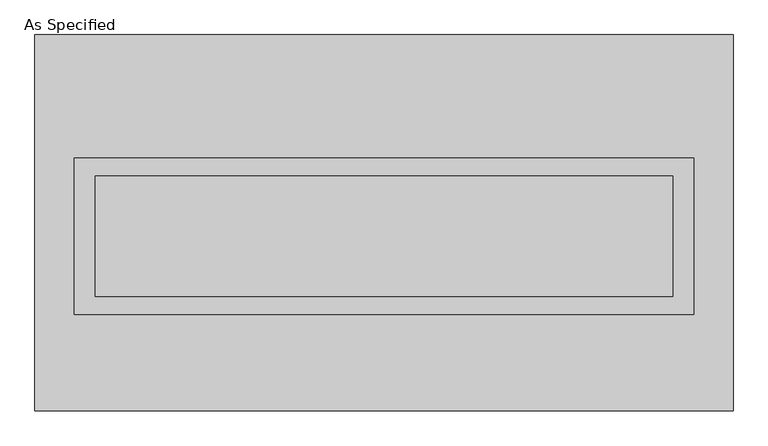
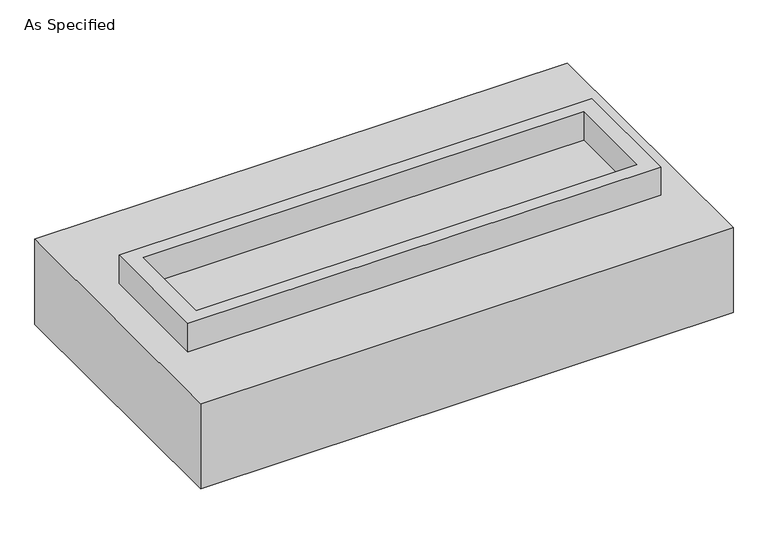
"""IFC4 building model written with IfcOpenShell, lengths in millimetres: proxy geometry, As Specified."""

from ifc_helpers import new_model, si_unit, frame, origin, place, context, project, spatial, polyline, outline, extrude, source, transform, mapped, element, save


def as_specified_8410818e(model_context):
    return source(origin(), model_context, "Body", "SweptSolid", [
        extrude(outline(polyline([(1308.1, 273.05), (1308.1, -387.35), (-1308.1, -387.35), (-1308.1, 273.05), (1308.1, 273.05)]), holes=[polyline([(1219.2, 196.85), (-1219.2, 196.85), (-1219.2, -311.15), (1219.2, -311.15), (1219.2, 196.85)])]), frame((0.0, 0.0, -688.975), z_axis=(0.0, 0.0, 1.0), x_axis=(1.0, 0.0, 0.0)), (0.0, 0.0, 1.0), 165.1),
        extrude(outline(polyline([(1308.1, 273.05), (1308.1, -387.35), (-1308.1, -387.35), (-1308.1, 273.05), (1308.1, 273.05)]), holes=[polyline([(1219.2, 196.85), (-1219.2, 196.85), (-1219.2, -311.15), (1219.2, -311.15), (1219.2, 196.85)])]), frame((0.0, 0.0, -25.4), z_axis=(0.0, 0.0, 1.0), x_axis=(1.0, 0.0, 0.0)), (0.0, 0.0, 1.0), 165.1),
        extrude(outline(polyline([(1219.2, 196.85), (1219.2, -311.15), (-1219.2, -311.15), (-1219.2, 196.85), (1219.2, 196.85)])), frame((0.0, 0.0, -523.875), z_axis=(0.0, 0.0, 1.0), x_axis=(1.0, 0.0, 0.0)), (0.0, 0.0, 1.0), 4.9609375),
        extrude(outline(polyline([(1219.2, 196.85), (1219.2, -311.15), (-1219.2, -311.15), (-1219.2, 196.85), (1219.2, 196.85)])), frame((0.0, 0.0, -30.3609375), z_axis=(0.0, 0.0, 1.0), x_axis=(1.0, 0.0, 0.0)), (0.0, 0.0, 1.0), 4.9609375),
        extrude(outline(polyline([(1473.2, -793.75), (-1473.2, -793.75), (-1473.2, 793.75), (1473.2, 793.75), (1473.2, -793.75)]), holes=[polyline([(-1308.1, 273.05), (-1308.1, -387.35), (1308.1, -387.35), (1308.1, 273.05), (-1308.1, 273.05)])]), frame((0.0, 0.0, -523.875), z_axis=(0.0, 0.0, 1.0), x_axis=(1.0, 0.0, 0.0)), (0.0, 0.0, 1.0), 498.475),
    ])


if __name__ == "__main__":
    model = new_model("IFC4")
    model_context = context("Model", 3, world=origin())
    ifc_project = project(units=[si_unit("LENGTHUNIT", "METRE", prefix="MILLI")], contexts=[model_context])
    site = spatial("IfcSite", under=ifc_project)
    building = spatial("IfcBuilding", under=site)
    placement = place(None, origin())
    as_specified_shape = as_specified_8410818e(model_context)
    element("IfcBuildingElementProxy", 1, Name="As Specified", ObjectType="As Specified", at=placement, inside=building, context=model_context, shape_type="MappedRepresentation", body=[
        mapped(as_specified_shape, transform((0.0, 0.0, 0.0), x_axis=(1.0, 0.0, 0.0), y_axis=(0.0, 1.0, 0.0), z_axis=(0.0, 0.0, 1.0))),
    ])
    save(model, "model.ifc")
